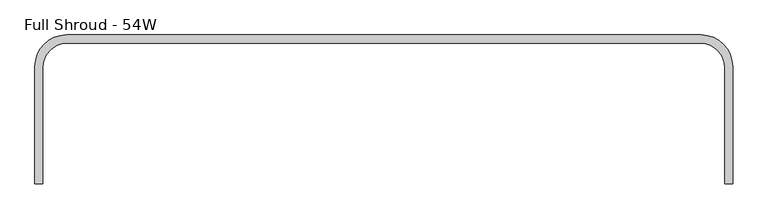
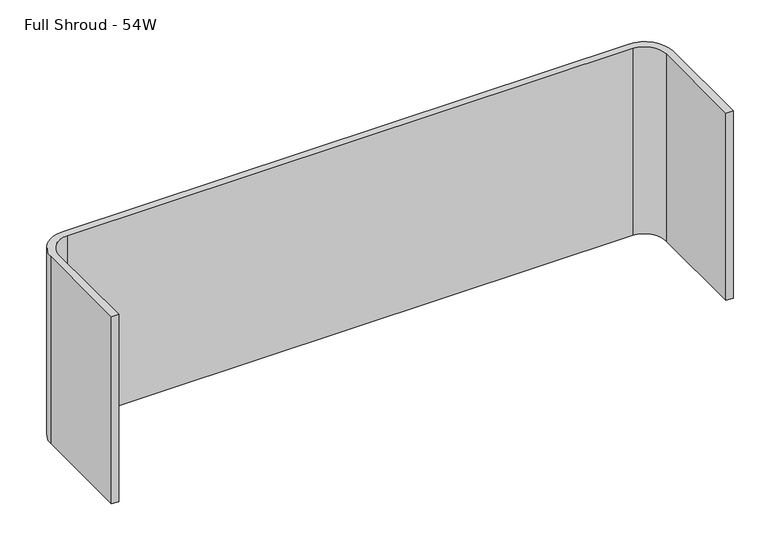
"""IFC4 building model written with IfcOpenShell, lengths in millimetres: furniture geometry, Full Shroud - 54W."""

from ifc_helpers import new_model, si_unit, point, frame, frame_2d, origin, place, context, project, spatial, polyline, circle_curve, trimmed, segment, composite_curve, outline, extrude, source, transform, mapped, element, save


def full_shroud_54w_15b082b0(model_context):
    return source(origin(), model_context, "Body", "SweptSolid", [
        extrude(outline(composite_curve([segment(trimmed(circle_curve(frame_2d((61.7219696, -58.2395876)), 61.7219696), [point((0.0, -58.2395876))], [point((61.7219696, 3.4823819))], False, "CARTESIAN"), True, "CONTINUOUS"), segment(polyline([(61.7219696, 3.4823819), (1309.8780304, 3.4823819)]), True, "CONTINUOUS"), segment(trimmed(circle_curve(frame_2d((1309.8780304, -58.2395876)), 61.7219696), [point((1309.8780304, 3.4823819))], [point((1371.6, -58.2395876))], False, "CARTESIAN"), True, "CONTINUOUS"), segment(polyline([(1371.6, -58.2395876), (1371.6, -288.9196021), (1355.7185622, -288.9196021), (1355.7185622, -60.5073273)]), True, "CONTINUOUS"), segment(trimmed(circle_curve(frame_2d((1307.6805704, -60.5073273)), 48.0379918), [point((1355.7185622, -60.5073273))], [point((1309.8779998, -12.519621))], True, "CARTESIAN"), True, "CONTINUOUS"), segment(polyline([(1309.8779998, -12.519621), (61.7220002, -12.519621)]), True, "CONTINUOUS"), segment(trimmed(circle_curve(frame_2d((63.9194296, -60.5073273)), 48.0379918), [point((61.7220002, -12.519621))], [point((15.8814378, -60.5073273))], True, "CARTESIAN"), True, "CONTINUOUS"), segment(polyline([(15.8814378, -60.5073273), (15.8814378, -288.9196021), (0.0, -288.9196021), (0.0, -58.2395876)]), True, "CONTINUOUS")], self_intersect=False)), frame((0.0, 0.0, 605.082423), z_axis=(0.0, 0.0, 1.0), x_axis=(1.0, 0.0, 0.0)), (0.0, 0.0, 1.0), 436.5085421),
    ])


if __name__ == "__main__":
    model = new_model("IFC4")
    model_context = context("Model", 3, world=origin())
    ifc_project = project(units=[si_unit("LENGTHUNIT", "METRE", prefix="MILLI")], contexts=[model_context])
    site = spatial("IfcSite", under=ifc_project)
    building = spatial("IfcBuilding", under=site)
    placement = place(None, origin())
    full_shroud_54w_shape = full_shroud_54w_15b082b0(model_context)
    element("IfcFurniture", 1, ObjectType="Full Shroud - 54W", at=placement, inside=building, context=model_context, shape_type="MappedRepresentation", body=[
        mapped(full_shroud_54w_shape, transform((0.0, 0.0, 0.0), x_axis=(1.0, 0.0, 0.0), y_axis=(0.0, 1.0, 0.0), z_axis=(0.0, 0.0, 1.0))),
    ])
    save(model, "model.ifc")
